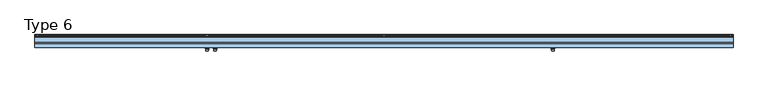
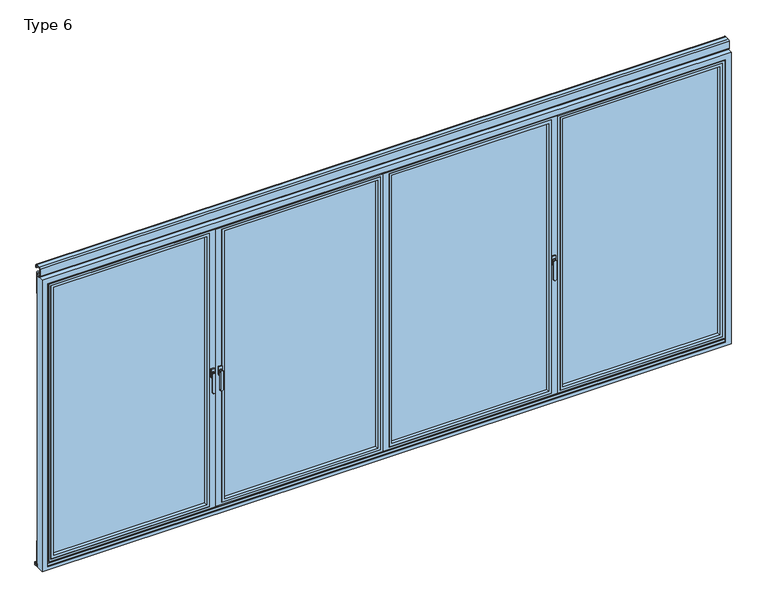
"""IFC4 building model written with IfcOpenShell, lengths in millimetres: window geometry, Type 6."""

from ifc_helpers import new_model, si_unit, point, frame, frame_2d, origin, place, context, project, spatial, polyline, circle_curve, trimmed, segment, composite_curve, outline, extrude, faceted_brep, source, transform, mapped, element, save
from ifc_brep_helpers import plane_surface, revolved_surface, advanced_brep


def type_6_73cdd621(model_context):
    return source(origin(), model_context, "Body", "SolidModel", [
        advanced_brep(
        [(-1147.25, -4.0, 896.6867153), (-1147.25, -4.0, 1028.0), (-1165.25, -4.0, 1028.0), (-1165.25, -4.0, 896.6867153), (-1146.25, 3.5, 896.6867153), (-1166.25, 3.5, 896.6867153), (-1166.25, 3.5, 1028.0), (-1146.25, 3.5, 1028.0), (-1145.25, 11.0, 1028.0), (-1167.25, 11.0, 1028.0)],
        [
            (0, 1),
            (1, 2, circle_curve(frame((-1156.25, -4.0, 1028.0), z_axis=(0.0, -1.0, 0.0), x_axis=(-1.0, 0.0, 0.0)), 9.0)),
            (2, 3),
            (3, 0, circle_curve(frame((-1156.25, -4.0, 896.6867153), z_axis=(0.0, -1.0, 0.0), x_axis=(1.0, 0.0, 0.0)), 9.0)),
            (4, 5, circle_curve(frame((-1156.25, 3.5, 896.6867153), z_axis=(0.0, 1.0, 0.0), x_axis=(1.0, 0.0, 0.0)), 10.0)),
            (5, 6),
            (6, 7, circle_curve(frame((-1156.25, 3.5, 1028.0), z_axis=(0.0, -1.0, 0.0), x_axis=(-1.0, 0.0, 0.0)), 10.0)),
            (7, 4),
            (3, 5),
            (4, 0),
            (2, 6),
            (1, 7),
            (7, 6, circle_curve(frame((-1156.25, 3.5, 1028.0), z_axis=(0.0, -1.0, 0.0), x_axis=(-1.0, 0.0, 0.0)), 10.0)),
            (8, 9, circle_curve(frame((-1156.25, 11.0, 1028.0), z_axis=(0.0, 1.0, 0.0), x_axis=(-1.0, 0.0, 0.0)), 11.0)),
            (9, 8, circle_curve(frame((-1156.25, 11.0, 1028.0), z_axis=(0.0, 1.0, 0.0), x_axis=(1.0, 0.0, 0.0)), 11.0)),
            (9, 6),
            (7, 8),
        ],
        [
            plane_surface(frame((-1156.25, -4.0, 962.3433576), z_axis=(0.0, -1.0, 0.0), x_axis=(0.0, 0.0, -1.0))),
            plane_surface(frame((-1156.25, 3.5, 962.3433576), z_axis=(0.0, 1.0, 0.0), x_axis=(0.0, 0.0, -1.0))),
            revolved_surface(polyline([(-1165.25, -4.0, 896.6867153), (-1166.25, 3.5, 896.6867153)]), (-1156.25, -71.5, 896.6867153), (0.0, 1.0, 0.0)),
            plane_surface(frame((-1166.25, 3.5, 962.3433576), z_axis=(-0.9912279006826277, -0.1321637200910704, 0.0), x_axis=(0.0, 0.0, 1.0))),
            revolved_surface(polyline([(-1147.25, -4.0, 1028.0), (-1146.25, 3.5, 1028.0)]), (-1156.25, -71.5, 1028.0), (0.0, 1.0, 0.0)),
            plane_surface(frame((-1146.25, 3.5, 962.3433576), z_axis=(0.9912279006826291, -0.1321637200910603, 0.0), x_axis=(0.0, 0.0, -1.0))),
            plane_surface(frame((-1156.25, 11.0, 1028.0), z_axis=(0.0, 1.0, 0.0), x_axis=(0.0, 0.0, 1.0))),
            revolved_surface(polyline([(-1166.25, 3.5, 1028.0), (-1167.25, 11.0, 1028.0)]), (-1156.25, -71.5, 1028.0), (0.0, 1.0, 0.0)),
            revolved_surface(polyline([(-1146.25, 3.5, 1028.0), (-1145.25, 11.0, 1028.0)]), (-1156.25, -71.5, 1028.0), (0.0, 1.0, 0.0)),
        ],
        [
            (0, [[1, 2, 3, 4]]),
            (1, [[5, 6, 7, 8]]),
            (2, [[9, -5, 10, -4]]),
            (3, [[11, -6, -9, -3]]),
            (4, [[12, 13, -11, -2]]),
            (5, [[-10, -8, -12, -1]]),
            (6, [[14, 15]]),
            (7, [[16, -13, 17, -15]]),
            (8, [[-17, -7, -16, -14]]),
        ],
    ),
        extrude(outline(polyline([(-1168.25, 11.0), (-1168.25, 20.0), (-1144.25, 20.0), (-1144.25, 11.0), (-1168.25, 11.0)])), frame((0.0, 0.0, 998.0), z_axis=(0.0, 0.0, 1.0), x_axis=(1.0, 0.0, 0.0)), (0.0, 0.0, 1.0), 60.0),
        faceted_brep([(-1158.75, 80.0, 10.0), (-1158.75, 80.0, 35.0), (-1158.75, 80.0, 2070.0), (-1158.75, 80.0, 2095.0), (-2.5, 80.0, 2095.0), (-2.5, 80.0, 2070.0), (-2.5, 80.0, 35.0), (-2.5, 80.0, 10.0), (-65.0, 80.0, 72.5), (-65.0, 80.0, 2032.5), (-1121.25, 80.0, 2032.5), (-1121.25, 80.0, 72.5), (-27.5, 20.0, 2070.0), (-32.5, 20.0, 2070.0), (-1183.75, 20.0, 2070.0), (-1183.75, 20.0, 35.0), (-32.5, 20.0, 35.0), (-27.5, 20.0, 35.0), (-1143.75, 20.0, 50.0), (-1143.75, 20.0, 2055.0), (-42.5, 20.0, 2055.0), (-42.5, 20.0, 50.0), (-42.5, 72.75, 2055.0), (-42.5, 72.75, 50.0), (-1143.75, 72.75, 50.0), (-1143.75, 72.75, 2055.0), (-1121.25, 72.75, 72.5), (-1121.25, 72.75, 2032.5), (-65.0, 72.75, 2032.5), (-65.0, 72.75, 72.5), (-2.5, 73.0, 10.0), (-1158.75, 73.0, 10.0), (-1183.75, 27.0, 35.0), (-1168.75, 27.0, 35.0), (-32.5, 27.0, 35.0), (-27.5, 27.0, 35.0), (-1158.75, 73.0, 25.0), (-1158.75, 73.0, 35.0), (-1158.75, 73.0, 2070.0), (-1158.75, 73.0, 2080.0), (-1158.75, 73.0, 2095.0), (-1168.75, 73.0, 2080.0), (-1168.75, 73.0, 25.0), (-17.5, 73.0, 25.0), (-17.5, 73.0, 35.0), (-17.5, 73.0, 2070.0), (-17.5, 73.0, 2080.0), (-17.5, 27.0, 2080.0), (-17.5, 27.0, 25.0), (-1168.75, 27.0, 25.0), (-1168.75, 27.0, 2070.0), (-1168.75, 27.0, 2080.0), (-32.5, 27.0, 2070.0), (-27.5, 27.0, 2070.0), (-2.5, 73.0, 35.0), (-2.5, 73.0, 2070.0), (-2.5, 73.0, 2095.0), (-1183.75, 27.0, 2070.0)], [[[0, 1, 2, 3, 4, 5, 6, 7], [8, 9, 10, 11]], [[12, 13, 14, 15, 16, 17], [18, 19, 20, 21]], [[21, 20, 22, 23]], [[23, 24, 18, 21]], [[24, 25, 19, 18]], [[23, 22, 25, 24], [26, 27, 28, 29]], [[29, 28, 9, 8]], [[8, 11, 26, 29]], [[11, 10, 27, 26]], [[25, 22, 20, 19]], [[10, 9, 28, 27]], [[30, 31, 0, 7]], [[17, 16, 15, 32, 33, 34, 35]], [[31, 36, 37, 38, 39, 40, 3, 2, 1, 0]], [[41, 39, 38, 37, 36, 42]], [[43, 44, 45, 46, 47, 48]], [[48, 49, 42, 36, 43]], [[49, 33, 50, 51, 41, 42]], [[51, 47, 46, 39, 41]], [[48, 47, 51, 50, 52, 53, 35, 34, 33, 49]], [[17, 35, 53, 12]], [[31, 30, 54, 55, 56, 40, 39, 46, 45, 44, 43, 36]], [[4, 3, 40, 56]], [[53, 52, 50, 57, 14, 13, 12]], [[56, 55, 54, 30, 7, 6, 5, 4]], [[15, 14, 57, 32]], [[57, 50, 33, 32]]]),
        extrude(outline(polyline([(-42.5, 72.75), (-42.5, 44.75), (-1143.75, 44.75), (-1143.75, 72.75), (-42.5, 72.75)])), frame((0.0, 0.0, 50.0), z_axis=(0.0, 0.0, 1.0), x_axis=(1.0, 0.0, 0.0)), (0.0, 0.0, 1.0), 2005.0),
        extrude(outline(polyline([(2055.0, -42.5), (2055.0, -1143.75), (50.0, -1143.75), (50.0, -42.5), (2055.0, -42.5)]), holes=[polyline([(2035.0009231, -1123.7509231), (2035.0009231, -62.4990769), (69.9990769, -62.4990769), (69.9990769, -1123.7509231), (2035.0009231, -1123.7509231)])]), frame((0.0, 20.5, 0.0), z_axis=(0.0, 1.0, 0.0), x_axis=(0.0, 0.0, 1.0)), (0.0, 0.0, 1.0), 24.25),
        extrude(outline(composite_curve([segment(trimmed(circle_curve(frame_2d((0.0, 93.5)), 10.0), [point((10.0, 93.5))], [point((-10.0, 93.5))], False, "CARTESIAN"), True, "CONTINUOUS"), segment(trimmed(circle_curve(frame_2d((0.0, 93.5)), 10.0), [point((-10.0, 93.5))], [point((10.0, 93.5))], False, "CARTESIAN"), True, "CONTINUOUS")], self_intersect=False)), frame((0.0, 0.0, -12.0640378), z_axis=(0.0, 0.0, 1.0), x_axis=(1.0, 0.0, 0.0)), (0.0, 0.0, 1.0), 166.5636122),
        extrude(outline(composite_curve([segment(trimmed(circle_curve(frame_2d((0.0, 93.5)), 10.0), [point((-10.0, 93.5))], [point((10.0, 93.5))], False, "CARTESIAN"), True, "CONTINUOUS"), segment(trimmed(circle_curve(frame_2d((0.0, 93.5)), 10.0), [point((10.0, 93.5))], [point((-10.0, 93.5))], False, "CARTESIAN"), True, "CONTINUOUS")], self_intersect=False)), frame((0.0, 0.0, 1972.5), z_axis=(0.0, 0.0, 1.0), x_axis=(1.0, 0.0, 0.0)), (0.0, 0.0, 1.0), 153.5),
        advanced_brep(
        [(1147.25, -4.0, 896.6867153), (1165.25, -4.0, 896.6867153), (1165.25, -4.0, 1028.0), (1147.25, -4.0, 1028.0), (1146.25, 3.5, 896.6867153), (1146.25, 3.5, 1028.0), (1166.25, 3.5, 1028.0), (1166.25, 3.5, 896.6867153), (1145.25, 11.0, 1028.0), (1167.25, 11.0, 1028.0)],
        [
            (0, 1, circle_curve(frame((1156.25, -4.0, 896.6867153), z_axis=(0.0, -1.0, 0.0), x_axis=(-1.0000000000000009, 0.0, 0.0)), 9.0)),
            (1, 2),
            (2, 3, circle_curve(frame((1156.25, -4.0, 1028.0), z_axis=(0.0, -1.0, 0.0), x_axis=(1.0000000000000009, 0.0, 0.0)), 9.0)),
            (3, 0),
            (4, 5),
            (5, 6, circle_curve(frame((1156.25, 3.5, 1028.0), z_axis=(0.0, -1.0, 0.0), x_axis=(1.0000000000000009, 0.0, 0.0)), 10.0)),
            (6, 7),
            (7, 4, circle_curve(frame((1156.25, 3.5, 896.6867153), z_axis=(0.0, 1.0, 0.0), x_axis=(-1.0000000000000009, 0.0, 0.0)), 10.0)),
            (0, 4),
            (7, 1),
            (6, 2),
            (6, 5, circle_curve(frame((1156.25, 3.5, 1028.0), z_axis=(0.0, -1.0, 0.0), x_axis=(1.0000000000000009, 0.0, 0.0)), 10.0)),
            (5, 3),
            (8, 9, circle_curve(frame((1156.25, 11.0, 1028.0), z_axis=(0.0, 1.0, 0.0), x_axis=(-1.0000000000000009, 0.0, 0.0)), 11.0)),
            (9, 8, circle_curve(frame((1156.25, 11.0, 1028.0), z_axis=(0.0, 1.0, 0.0), x_axis=(1.0000000000000009, 0.0, 0.0)), 11.0)),
            (8, 5),
            (6, 9),
        ],
        [
            plane_surface(frame((1156.25, -4.0, 962.3433576), z_axis=(0.0, -1.0, 0.0), x_axis=(0.0, 0.0, -1.0))),
            plane_surface(frame((1156.25, 3.5, 962.3433576), z_axis=(0.0, 1.0, 0.0), x_axis=(0.0, 0.0, -1.0))),
            revolved_surface(polyline([(1147.25, -4.0, 896.6867153), (1146.25, 3.5, 896.6867153)]), (1156.25, -71.5, 896.6867153), (0.0, 1.0000000000000009, 0.0)),
            plane_surface(frame((1166.25, 3.5, 962.3433576), z_axis=(0.9912279006826268, -0.1321637200910768, 0.0), x_axis=(0.0, 0.0, 1.0))),
            revolved_surface(polyline([(1165.25, -4.0, 1028.0), (1166.25, 3.5, 1028.0)]), (1156.25, -71.5, 1028.0), (0.0, 1.0000000000000009, 0.0)),
            plane_surface(frame((1146.25, 3.5, 962.3433576), z_axis=(-0.99122790068263, -0.13216372009105393, 0.0), x_axis=(0.0, 0.0, -1.0))),
            plane_surface(frame((1156.25, 11.0, 1028.0), z_axis=(0.0, 1.0, 0.0), x_axis=(0.0, 0.0, 1.0))),
            revolved_surface(polyline([(1166.25, 3.5, 1028.0), (1167.25, 11.0, 1028.0)]), (1156.25, -71.5, 1028.0), (0.0, 1.0000000000000009, 0.0)),
            revolved_surface(polyline([(1146.25, 3.5, 1028.0), (1145.25, 11.0, 1028.0)]), (1156.25, -71.5, 1028.0), (0.0, 1.0000000000000009, 0.0)),
        ],
        [
            (0, [[1, 2, 3, 4]]),
            (1, [[5, 6, 7, 8]]),
            (2, [[-1, 9, -8, 10]]),
            (3, [[-2, -10, -7, 11]]),
            (4, [[-3, -11, 12, 13]]),
            (5, [[-4, -13, -5, -9]]),
            (6, [[14, 15]]),
            (7, [[-14, 16, -12, 17]]),
            (8, [[-15, -17, -6, -16]]),
        ],
    ),
        extrude(outline(polyline([(1168.25, 11.0), (1144.25, 11.0), (1144.25, 20.0), (1168.25, 20.0), (1168.25, 11.0)])), frame((0.0, 0.0, 998.0), z_axis=(0.0, 0.0, 1.0), x_axis=(1.0, 0.0, 0.0)), (0.0, 0.0, 1.0), 60.0),
        faceted_brep([(1158.75, 80.0, 10.0), (2.5, 80.0, 10.0), (2.5, 80.0, 35.0), (2.5, 80.0, 2070.0), (2.5, 80.0, 2095.0), (1158.75, 80.0, 2095.0), (1158.75, 80.0, 2070.0), (1158.75, 80.0, 35.0), (40.0, 80.0, 72.5), (1121.25, 80.0, 72.5), (1121.25, 80.0, 2032.5), (40.0, 80.0, 2032.5), (1183.75, 20.0, 35.0), (1183.75, 20.0, 2070.0), (-22.5, 20.0, 2070.0), (-22.5, 20.0, 35.0), (1143.75, 20.0, 50.0), (17.5, 20.0, 50.0), (17.5, 20.0, 2055.0), (1143.75, 20.0, 2055.0), (17.5, 72.75, 50.0), (17.5, 72.75, 2055.0), (1143.75, 72.75, 50.0), (1143.75, 72.75, 2055.0), (1121.25, 72.75, 72.5), (40.0, 72.75, 72.5), (40.0, 72.75, 2032.5), (1121.25, 72.75, 2032.5), (2.5, 73.0, 10.0), (1158.75, 73.0, 10.0), (1183.75, 27.0, 35.0), (-22.5, 27.0, 35.0), (-7.5, 27.0, 35.0), (1168.75, 27.0, 35.0), (-7.5, 73.0, 25.0), (-7.5, 73.0, 2080.0), (2.5, 73.0, 2080.0), (2.5, 73.0, 2070.0), (2.5, 73.0, 35.0), (2.5, 73.0, 25.0), (1168.75, 73.0, 2080.0), (1168.75, 73.0, 25.0), (1158.75, 73.0, 25.0), (1158.75, 73.0, 35.0), (1158.75, 73.0, 2070.0), (1158.75, 73.0, 2080.0), (-7.5, 27.0, 25.0), (-7.5, 27.0, 2070.0), (-7.5, 27.0, 2080.0), (1168.75, 27.0, 25.0), (1168.75, 27.0, 2080.0), (1168.75, 27.0, 2070.0), (1183.75, 27.0, 2070.0), (-22.5, 27.0, 2070.0), (2.5, 73.0, 2095.0), (1158.75, 73.0, 2095.0)], [[[0, 1, 2, 3, 4, 5, 6, 7], [8, 9, 10, 11]], [[12, 13, 14, 15], [16, 17, 18, 19]], [[17, 20, 21, 18]], [[20, 17, 16, 22]], [[22, 16, 19, 23]], [[20, 22, 23, 21], [24, 25, 26, 27]], [[25, 8, 11, 26]], [[8, 25, 24, 9]], [[9, 24, 27, 10]], [[23, 19, 18, 21]], [[10, 27, 26, 11]], [[28, 1, 0, 29]], [[30, 12, 15, 31, 32, 33]], [[34, 35, 36, 37, 38, 39]], [[40, 41, 42, 43, 44, 45]], [[34, 46, 32, 47, 48, 35]], [[46, 34, 39, 42, 41, 49]], [[49, 41, 40, 50, 51, 33]], [[46, 49, 33, 32]], [[50, 48, 47, 51]], [[50, 40, 45, 36, 35, 48]], [[14, 13, 52, 51, 47, 53]], [[54, 4, 3, 2, 1, 28, 39, 38, 37, 36]], [[29, 0, 7, 6, 5, 55, 45, 44, 43, 42]], [[39, 28, 29, 42]], [[54, 36, 45, 55]], [[4, 54, 55, 5]], [[12, 30, 52, 13]], [[14, 53, 31, 15]], [[52, 30, 33, 51]], [[31, 53, 47, 32]]]),
        extrude(outline(polyline([(17.5, 72.75), (1143.75, 72.75), (1143.75, 44.75), (17.5, 44.75), (17.5, 72.75)])), frame((0.0, 0.0, 50.0), z_axis=(0.0, 0.0, 1.0), x_axis=(1.0, 0.0, 0.0)), (0.0, 0.0, 1.0), 2005.0),
        extrude(outline(polyline([(2055.0, 17.5), (50.0, 17.5), (50.0, 1143.75), (2055.0, 1143.75), (2055.0, 17.5)]), holes=[polyline([(2035.0009231, 1123.7509231), (69.9990769, 1123.7509231), (69.9990769, 37.4990769), (2035.0009231, 37.4990769), (2035.0009231, 1123.7509231)])]), frame((0.0, 20.5, 0.0), z_axis=(0.0, 1.0, 0.0), x_axis=(0.0, 0.0, 1.0)), (0.0, 0.0, 1.0), 24.25),
        extrude(outline(composite_curve([segment(trimmed(circle_curve(frame_2d((0.0, 93.5)), 10.0), [point((-10.0, 93.5))], [point((10.0, 93.5))], False, "CARTESIAN"), True, "CONTINUOUS"), segment(trimmed(circle_curve(frame_2d((0.0, 93.5)), 10.0), [point((10.0, 93.5))], [point((-10.0, 93.5))], False, "CARTESIAN"), True, "CONTINUOUS")], self_intersect=False)), frame((0.0, 0.0, -12.0640378), z_axis=(0.0, 0.0, 1.0), x_axis=(1.0, 0.0, 0.0)), (0.0, 0.0, 1.0), 166.5636122),
        extrude(outline(composite_curve([segment(trimmed(circle_curve(frame_2d((0.0, 93.5)), 10.0), [point((10.0, 93.5))], [point((-10.0, 93.5))], False, "CARTESIAN"), True, "CONTINUOUS"), segment(trimmed(circle_curve(frame_2d((0.0, 93.5)), 10.0), [point((-10.0, 93.5))], [point((10.0, 93.5))], False, "CARTESIAN"), True, "CONTINUOUS")], self_intersect=False)), frame((0.0, 0.0, 1972.5), z_axis=(0.0, 0.0, 1.0), x_axis=(1.0, 0.0, 0.0)), (0.0, 0.0, 1.0), 153.5),
        faceted_brep([(1163.75, 80.0, 10.0), (1163.75, 80.0, 35.0), (1163.75, 80.0, 2070.0), (1163.75, 80.0, 2095.0), (2370.0, 80.0, 2095.0), (2370.0, 80.0, 2070.0), (2370.0, 80.0, 35.0), (2370.0, 80.0, 10.0), (2307.5, 80.0, 72.5), (2307.5, 80.0, 2032.5), (1226.25, 80.0, 2032.5), (1226.25, 80.0, 72.5), (1188.75, 20.0, 35.0), (1193.75, 20.0, 35.0), (2340.0, 20.0, 35.0), (2345.0, 20.0, 35.0), (2345.0, 20.0, 2070.0), (2340.0, 20.0, 2070.0), (1193.75, 20.0, 2070.0), (1188.75, 20.0, 2070.0), (1203.75, 20.0, 50.0), (1203.75, 20.0, 2055.0), (2330.0, 20.0, 2055.0), (2330.0, 20.0, 50.0), (2330.0, 72.75, 2055.0), (2330.0, 72.75, 50.0), (1203.75, 72.75, 50.0), (1203.75, 72.75, 2055.0), (1226.25, 72.75, 72.5), (1226.25, 72.75, 2032.5), (2307.5, 72.75, 2032.5), (2307.5, 72.75, 72.5), (2370.0, 73.0, 10.0), (1163.75, 73.0, 10.0), (1188.75, 27.0, 35.0), (1193.75, 27.0, 35.0), (2340.0, 27.0, 35.0), (2345.0, 27.0, 35.0), (2355.0, 73.0, 25.0), (2355.0, 73.0, 35.0), (2355.0, 73.0, 2070.0), (2355.0, 73.0, 2080.0), (2355.0, 27.0, 2080.0), (2355.0, 27.0, 25.0), (1178.75, 27.0, 25.0), (1178.75, 73.0, 25.0), (1178.75, 27.0, 2080.0), (1178.75, 73.0, 2080.0), (1178.75, 73.0, 2070.0), (1178.75, 73.0, 35.0), (1188.75, 27.0, 2070.0), (1193.75, 27.0, 2070.0), (2340.0, 27.0, 2070.0), (2345.0, 27.0, 2070.0), (2370.0, 73.0, 35.0), (2370.0, 73.0, 2070.0), (2370.0, 73.0, 2095.0), (1163.75, 73.0, 2095.0), (1163.75, 73.0, 2070.0), (1163.75, 73.0, 35.0)], [[[0, 1, 2, 3, 4, 5, 6, 7], [8, 9, 10, 11]], [[12, 13, 14, 15, 16, 17, 18, 19], [20, 21, 22, 23]], [[23, 22, 24, 25]], [[25, 26, 20, 23]], [[26, 27, 21, 20]], [[25, 24, 27, 26], [28, 29, 30, 31]], [[31, 30, 9, 8]], [[8, 11, 28, 31]], [[11, 10, 29, 28]], [[27, 24, 22, 21]], [[10, 9, 30, 29]], [[32, 33, 0, 7]], [[15, 14, 13, 12, 34, 35, 36, 37]], [[38, 39, 40, 41, 42, 43]], [[43, 44, 45, 38]], [[44, 46, 47, 48, 49, 45]], [[46, 42, 41, 47]], [[43, 42, 46, 44], [37, 36, 35, 34, 50, 51, 52, 53]], [[19, 50, 34, 12]], [[15, 37, 53, 16]], [[32, 54, 55, 56, 57, 58, 59, 33], [45, 49, 48, 47, 41, 40, 39, 38]], [[4, 3, 57, 56]], [[19, 18, 17, 16, 53, 52, 51, 50]], [[56, 55, 54, 32, 7, 6, 5, 4]], [[33, 59, 58, 57, 3, 2, 1, 0]]]),
        extrude(outline(polyline([(2330.0, 72.75), (2330.0, 44.75), (1203.75, 44.75), (1203.75, 72.75), (2330.0, 72.75)])), frame((0.0, 0.0, 50.0), z_axis=(0.0, 0.0, 1.0), x_axis=(1.0, 0.0, 0.0)), (0.0, 0.0, 1.0), 2005.0),
        extrude(outline(polyline([(2055.0, 2330.0), (2055.0, 1203.75), (50.0, 1203.75), (50.0, 2330.0), (2055.0, 2330.0)]), holes=[polyline([(2035.0009231, 1223.7490769), (2035.0009231, 2310.0009231), (69.9990769, 2310.0009231), (69.9990769, 1223.7490769), (2035.0009231, 1223.7490769)])]), frame((0.0, 20.5, 0.0), z_axis=(0.0, 1.0, 0.0), x_axis=(0.0, 0.0, 1.0)), (0.0, 0.0, 1.0), 24.25),
        extrude(outline(composite_curve([segment(trimmed(circle_curve(frame_2d((2372.5, 93.5)), 10.0), [point((2382.5, 93.5))], [point((2362.5, 93.5))], False, "CARTESIAN"), True, "CONTINUOUS"), segment(trimmed(circle_curve(frame_2d((2372.5, 93.5)), 10.0), [point((2362.5, 93.5))], [point((2382.5, 93.5))], False, "CARTESIAN"), True, "CONTINUOUS")], self_intersect=False)), frame((0.0, 0.0, -12.0640378), z_axis=(0.0, 0.0, 1.0), x_axis=(1.0, 0.0, 0.0)), (0.0, 0.0, 1.0), 166.5636122),
        extrude(outline(composite_curve([segment(trimmed(circle_curve(frame_2d((2372.5, 93.5)), 10.0), [point((2362.5, 93.5))], [point((2382.5, 93.5))], False, "CARTESIAN"), True, "CONTINUOUS"), segment(trimmed(circle_curve(frame_2d((2372.5, 93.5)), 10.0), [point((2382.5, 93.5))], [point((2362.5, 93.5))], False, "CARTESIAN"), True, "CONTINUOUS")], self_intersect=False)), frame((0.0, 0.0, 1972.5), z_axis=(0.0, 0.0, 1.0), x_axis=(1.0, 0.0, 0.0)), (0.0, 0.0, 1.0), 153.5),
        advanced_brep(
        [(-1219.75, 104.0, 896.6867153), (-1219.75, 104.0, 1028.0), (-1201.75, 104.0, 1028.0), (-1201.75, 104.0, 896.6867153), (-1220.75, 96.5, 896.6867153), (-1200.75, 96.5, 896.6867153), (-1200.75, 96.5, 1028.0), (-1220.75, 96.5, 1028.0), (-1221.75, 89.0, 1028.0), (-1199.75, 89.0, 1028.0)],
        [
            (0, 1),
            (1, 2, circle_curve(frame((-1210.75, 104.0, 1028.0), z_axis=(0.0, 1.0, 0.0), x_axis=(1.0, 0.0, 0.0)), 9.0)),
            (2, 3),
            (3, 0, circle_curve(frame((-1210.75, 104.0, 896.6867153), z_axis=(0.0, 1.0, 0.0), x_axis=(-1.0, 0.0, 0.0)), 9.0)),
            (4, 5, circle_curve(frame((-1210.75, 96.5, 896.6867153), z_axis=(0.0, -1.0, 0.0), x_axis=(-1.0, 0.0, 0.0)), 10.0)),
            (5, 6),
            (6, 7, circle_curve(frame((-1210.75, 96.5, 1028.0), z_axis=(0.0, 1.0, 0.0), x_axis=(1.0, 0.0, 0.0)), 10.0)),
            (7, 4),
            (3, 5),
            (4, 0),
            (2, 6),
            (1, 7),
            (7, 6, circle_curve(frame((-1210.75, 96.5, 1028.0), z_axis=(0.0, 1.0, 0.0), x_axis=(1.0, 0.0, 0.0)), 10.0)),
            (8, 9, circle_curve(frame((-1210.75, 89.0, 1028.0), z_axis=(0.0, -1.0, 0.0), x_axis=(1.0, 0.0, 0.0)), 11.0)),
            (9, 8, circle_curve(frame((-1210.75, 89.0, 1028.0), z_axis=(0.0, -1.0, 0.0), x_axis=(-1.0, 0.0, 0.0)), 11.0)),
            (9, 6),
            (7, 8),
        ],
        [
            plane_surface(frame((-1210.75, 104.0, 962.3433576), z_axis=(0.0, 1.0, 0.0), x_axis=(0.0, 0.0, -1.0))),
            plane_surface(frame((-1210.75, 96.5, 962.3433576), z_axis=(0.0, -1.0, 0.0), x_axis=(0.0, 0.0, -1.0))),
            revolved_surface(polyline([(-1201.75, 104.0, 896.6867153), (-1200.75, 96.5, 896.6867153)]), (-1210.75, 171.5, 896.6867153), (0.0, -1.0, 0.0)),
            plane_surface(frame((-1200.75, 96.5, 962.3433576), z_axis=(0.9912279006826299, 0.13216372009105404, 0.0), x_axis=(0.0, 0.0, 1.0))),
            revolved_surface(polyline([(-1219.75, 104.0, 1028.0), (-1220.75, 96.5, 1028.0)]), (-1210.75, 171.5, 1028.0), (0.0, -1.0, 0.0)),
            plane_surface(frame((-1220.75, 96.5, 962.3433576), z_axis=(-0.9912279006826269, 0.1321637200910767, 0.0), x_axis=(0.0, 0.0, -1.0))),
            plane_surface(frame((-1210.75, 89.0, 1028.0), z_axis=(0.0, -1.0, 0.0), x_axis=(0.0, 0.0, 1.0))),
            revolved_surface(polyline([(-1200.75, 96.5, 1028.0), (-1199.75, 89.0, 1028.0)]), (-1210.75, 171.5, 1028.0), (0.0, -1.0, 0.0)),
            revolved_surface(polyline([(-1220.75, 96.5, 1028.0), (-1221.75, 89.0, 1028.0)]), (-1210.75, 171.5, 1028.0), (0.0, -1.0, 0.0)),
        ],
        [
            (0, [[1, 2, 3, 4]]),
            (1, [[5, 6, 7, 8]]),
            (2, [[9, -5, 10, -4]]),
            (3, [[11, -6, -9, -3]]),
            (4, [[12, 13, -11, -2]]),
            (5, [[-10, -8, -12, -1]]),
            (6, [[14, 15]]),
            (7, [[16, -13, 17, -15]]),
            (8, [[-17, -7, -16, -14]]),
        ],
    ),
        extrude(outline(polyline([(-1198.75, 89.0), (-1198.75, 80.0), (-1222.75, 80.0), (-1222.75, 89.0), (-1198.75, 89.0)])), frame((0.0, 0.0, 998.0), z_axis=(0.0, 0.0, 1.0), x_axis=(1.0, 0.0, 0.0)), (0.0, 0.0, 1.0), 60.0),
        advanced_brep(
        [(-1219.75, -4.0, 896.6867153), (-1201.75, -4.0, 896.6867153), (-1201.75, -4.0, 1028.0), (-1219.75, -4.0, 1028.0), (-1220.75, 3.5, 896.6867153), (-1220.75, 3.5, 1028.0), (-1200.75, 3.5, 1028.0), (-1200.75, 3.5, 896.6867153), (-1221.75, 11.0, 1028.0), (-1199.75, 11.0, 1028.0)],
        [
            (0, 1, circle_curve(frame((-1210.75, -4.0, 896.6867153), z_axis=(0.0, -1.0, 0.0), x_axis=(-1.0, 0.0, 0.0)), 9.0)),
            (1, 2),
            (2, 3, circle_curve(frame((-1210.75, -4.0, 1028.0), z_axis=(0.0, -1.0, 0.0), x_axis=(1.0, 0.0, 0.0)), 9.0)),
            (3, 0),
            (4, 5),
            (5, 6, circle_curve(frame((-1210.75, 3.5, 1028.0), z_axis=(0.0, -1.0, 0.0), x_axis=(1.0, 0.0, 0.0)), 10.0)),
            (6, 7),
            (7, 4, circle_curve(frame((-1210.75, 3.5, 896.6867153), z_axis=(0.0, 1.0, 0.0), x_axis=(-1.0, 0.0, 0.0)), 10.0)),
            (0, 4),
            (7, 1),
            (6, 2),
            (6, 5, circle_curve(frame((-1210.75, 3.5, 1028.0), z_axis=(0.0, -1.0, 0.0), x_axis=(1.0, 0.0, 0.0)), 10.0)),
            (5, 3),
            (8, 9, circle_curve(frame((-1210.75, 11.0, 1028.0), z_axis=(0.0, 1.0, 0.0), x_axis=(-1.0, 0.0, 0.0)), 11.0)),
            (9, 8, circle_curve(frame((-1210.75, 11.0, 1028.0), z_axis=(0.0, 1.0, 0.0), x_axis=(1.0, 0.0, 0.0)), 11.0)),
            (8, 5),
            (6, 9),
        ],
        [
            plane_surface(frame((-1210.75, -4.0, 962.3433576), z_axis=(0.0, -1.0, 0.0), x_axis=(0.0, 0.0, -1.0))),
            plane_surface(frame((-1210.75, 3.5, 962.3433576), z_axis=(0.0, 1.0, 0.0), x_axis=(0.0, 0.0, -1.0))),
            revolved_surface(polyline([(-1219.75, -4.0, 896.6867153), (-1220.75, 3.5, 896.6867153)]), (-1210.75, -71.5, 896.6867153), (0.0, 1.0, 0.0)),
            plane_surface(frame((-1200.75, 3.5, 962.3433576), z_axis=(0.9912279006826277, -0.1321637200910704, 0.0), x_axis=(0.0, 0.0, 1.0))),
            revolved_surface(polyline([(-1201.75, -4.0, 1028.0), (-1200.75, 3.5, 1028.0)]), (-1210.75, -71.5, 1028.0), (0.0, 1.0, 0.0)),
            plane_surface(frame((-1220.75, 3.5, 962.3433576), z_axis=(-0.9912279006826291, -0.1321637200910603, 0.0), x_axis=(0.0, 0.0, -1.0))),
            plane_surface(frame((-1210.75, 11.0, 1028.0), z_axis=(0.0, 1.0, 0.0), x_axis=(0.0, 0.0, 1.0))),
            revolved_surface(polyline([(-1200.75, 3.5, 1028.0), (-1199.75, 11.0, 1028.0)]), (-1210.75, -71.5, 1028.0), (0.0, 1.0, 0.0)),
            revolved_surface(polyline([(-1220.75, 3.5, 1028.0), (-1221.75, 11.0, 1028.0)]), (-1210.75, -71.5, 1028.0), (0.0, 1.0, 0.0)),
        ],
        [
            (0, [[1, 2, 3, 4]]),
            (1, [[5, 6, 7, 8]]),
            (2, [[-1, 9, -8, 10]]),
            (3, [[-2, -10, -7, 11]]),
            (4, [[-3, -11, 12, 13]]),
            (5, [[-4, -13, -5, -9]]),
            (6, [[14, 15]]),
            (7, [[-14, 16, -12, 17]]),
            (8, [[-15, -17, -6, -16]]),
        ],
    ),
        extrude(outline(polyline([(-1198.75, 11.0), (-1222.75, 11.0), (-1222.75, 20.0), (-1198.75, 20.0), (-1198.75, 11.0)])), frame((0.0, 0.0, 998.0), z_axis=(0.0, 0.0, 1.0), x_axis=(1.0, 0.0, 0.0)), (0.0, 0.0, 1.0), 60.0),
        extrude(outline(polyline([(-1178.7490769, 73.0), (-1178.7490769, 27.0), (-1203.75, 27.0), (-1203.75, 73.0), (-1178.7490769, 73.0)])), frame((0.0, 0.0, 25.0), z_axis=(0.0, 0.0, 1.0), x_axis=(1.0, 0.0, 0.0)), (0.0, 0.0, 1.0), 2055.0),
        faceted_brep([(-1163.75, 80.0, 10.0), (-2370.0, 80.0, 10.0), (-2370.0, 80.0, 35.0), (-2370.0, 80.0, 2070.0), (-2370.0, 80.0, 2095.0), (-1163.75, 80.0, 2095.0), (-1163.75, 80.0, 2070.0), (-1163.75, 80.0, 35.0), (-2307.5, 80.0, 72.5), (-1251.25, 80.0, 72.5), (-1251.25, 80.0, 2032.5), (-2307.5, 80.0, 2032.5), (-2345.0, 20.0, 2070.0), (-2345.0, 20.0, 35.0), (-2340.0, 20.0, 35.0), (-1188.75, 20.0, 35.0), (-1188.75, 20.0, 2070.0), (-2340.0, 20.0, 2070.0), (-1228.75, 20.0, 50.0), (-2330.0, 20.0, 50.0), (-2330.0, 20.0, 2055.0), (-1228.75, 20.0, 2055.0), (-2330.0, 72.75, 50.0), (-2330.0, 72.75, 2055.0), (-1228.75, 72.75, 50.0), (-1228.75, 72.75, 2055.0), (-1251.25, 72.75, 72.5), (-2307.5, 72.75, 72.5), (-2307.5, 72.75, 2032.5), (-1251.25, 72.75, 2032.5), (-2370.0, 73.0, 10.0), (-1163.75, 73.0, 10.0), (-2345.0, 27.0, 35.0), (-2340.0, 27.0, 35.0), (-1203.75, 27.0, 35.0), (-1188.75, 27.0, 35.0), (-2355.0, 73.0, 25.0), (-2355.0, 27.0, 25.0), (-2355.0, 27.0, 2080.0), (-2355.0, 73.0, 2080.0), (-2355.0, 73.0, 2070.0), (-2355.0, 73.0, 35.0), (-1203.75, 73.0, 25.0), (-1203.75, 27.0, 25.0), (-1203.75, 73.0, 35.0), (-1203.75, 73.0, 2070.0), (-1203.75, 73.0, 2080.0), (-1203.75, 27.0, 2080.0), (-1203.75, 27.0, 2070.0), (-2345.0, 27.0, 2070.0), (-2340.0, 27.0, 2070.0), (-1188.75, 27.0, 2070.0), (-1163.75, 73.0, 35.0), (-1163.75, 73.0, 2070.0), (-1163.75, 73.0, 2095.0), (-2370.0, 73.0, 2095.0), (-2370.0, 73.0, 2070.0), (-2370.0, 73.0, 35.0)], [[[0, 1, 2, 3, 4, 5, 6, 7], [8, 9, 10, 11]], [[12, 13, 14, 15, 16, 17], [18, 19, 20, 21]], [[19, 22, 23, 20]], [[22, 19, 18, 24]], [[24, 18, 21, 25]], [[22, 24, 25, 23], [26, 27, 28, 29]], [[27, 8, 11, 28]], [[8, 27, 26, 9]], [[9, 26, 29, 10]], [[25, 21, 20, 23]], [[10, 29, 28, 11]], [[30, 1, 0, 31]], [[13, 32, 33, 34, 35, 15, 14]], [[36, 37, 38, 39, 40, 41]], [[37, 36, 42, 43]], [[43, 42, 44, 45, 46, 47, 48, 34]], [[37, 43, 34, 33, 32, 49, 50, 48, 47, 38]], [[47, 46, 39, 38]], [[13, 12, 49, 32]], [[49, 12, 17, 16, 51, 48, 50]], [[30, 31, 52, 53, 54, 55, 56, 57], [42, 36, 41, 40, 39, 46, 45, 44]], [[4, 55, 54, 5]], [[55, 4, 3, 2, 1, 30, 57, 56]], [[31, 0, 7, 6, 5, 54, 53, 52]], [[15, 35, 51, 16]], [[51, 35, 34, 48]]]),
        extrude(outline(polyline([(-2330.0, 72.75), (-1228.75, 72.75), (-1228.75, 44.75), (-2330.0, 44.75), (-2330.0, 72.75)])), frame((0.0, 0.0, 50.0), z_axis=(0.0, 0.0, 1.0), x_axis=(1.0, 0.0, 0.0)), (0.0, 0.0, 1.0), 2005.0),
        extrude(outline(polyline([(2055.0, -2330.0), (50.0, -2330.0), (50.0, -1228.75), (2055.0, -1228.75), (2055.0, -2330.0)]), holes=[polyline([(2035.0009231, -1248.7490769), (69.9990769, -1248.7490769), (69.9990769, -2310.0009231), (2035.0009231, -2310.0009231), (2035.0009231, -1248.7490769)])]), frame((0.0, 20.5, 0.0), z_axis=(0.0, 1.0, 0.0), x_axis=(0.0, 0.0, 1.0)), (0.0, 0.0, 1.0), 24.25),
        extrude(outline(composite_curve([segment(trimmed(circle_curve(frame_2d((-2372.5, 93.5)), 10.0), [point((-2382.5, 93.5))], [point((-2362.5, 93.5))], False, "CARTESIAN"), True, "CONTINUOUS"), segment(trimmed(circle_curve(frame_2d((-2372.5, 93.5)), 10.0), [point((-2362.5, 93.5))], [point((-2382.5, 93.5))], False, "CARTESIAN"), True, "CONTINUOUS")], self_intersect=False)), frame((0.0, 0.0, -12.0640378), z_axis=(0.0, 0.0, 1.0), x_axis=(1.0, 0.0, 0.0)), (0.0, 0.0, 1.0), 166.5636122),
        extrude(outline(composite_curve([segment(trimmed(circle_curve(frame_2d((-2372.5, 93.5)), 10.0), [point((-2362.5, 93.5))], [point((-2382.5, 93.5))], False, "CARTESIAN"), True, "CONTINUOUS"), segment(trimmed(circle_curve(frame_2d((-2372.5, 93.5)), 10.0), [point((-2382.5, 93.5))], [point((-2362.5, 93.5))], False, "CARTESIAN"), True, "CONTINUOUS")], self_intersect=False)), frame((0.0, 0.0, 1972.5), z_axis=(0.0, 0.0, 1.0), x_axis=(1.0, 0.0, 0.0)), (0.0, 0.0, 1.0), 153.5),
        extrude(outline(composite_curve([segment(polyline([(95.0, 2165.0), (91.0, 2165.0), (91.0, 2182.0)]), True, "CONTINUOUS"), segment(trimmed(circle_curve(frame_2d((87.0, 2182.0)), 4.0), [point((91.0, 2182.0))], [point((87.0, 2186.0))], True, "CARTESIAN"), True, "CONTINUOUS"), segment(polyline([(87.0, 2186.0), (53.0, 2186.0)]), True, "CONTINUOUS"), segment(trimmed(circle_curve(frame_2d((53.0, 2182.0)), 4.0), [point((53.0, 2186.0))], [point((49.0, 2182.0))], True, "CARTESIAN"), True, "CONTINUOUS"), segment(polyline([(49.0, 2182.0), (49.0, 2128.0)]), True, "CONTINUOUS"), segment(trimmed(circle_curve(frame_2d((53.0, 2128.0)), 4.0), [point((49.0, 2128.0))], [point((53.0, 2124.0))], True, "CARTESIAN"), True, "CONTINUOUS"), segment(polyline([(53.0, 2124.0), (80.0, 2124.0), (80.0, 2115.0), (58.5, 2115.0), (58.5, 2120.0), (53.0, 2120.0)]), True, "CONTINUOUS"), segment(trimmed(circle_curve(frame_2d((53.0, 2128.0)), 8.0), [point((53.0, 2120.0))], [point((45.0, 2128.0))], False, "CARTESIAN"), True, "CONTINUOUS"), segment(polyline([(45.0, 2128.0), (45.0, 2182.0)]), True, "CONTINUOUS"), segment(trimmed(circle_curve(frame_2d((53.0, 2182.0)), 8.0), [point((45.0, 2182.0))], [point((53.0, 2190.0))], False, "CARTESIAN"), True, "CONTINUOUS"), segment(polyline([(53.0, 2190.0), (87.0, 2190.0)]), True, "CONTINUOUS"), segment(trimmed(circle_curve(frame_2d((87.0, 2182.0)), 8.0), [point((87.0, 2190.0))], [point((95.0, 2182.0))], False, "CARTESIAN"), True, "CONTINUOUS"), segment(polyline([(95.0, 2182.0), (95.0, 2165.0)]), True, "CONTINUOUS")], self_intersect=False)), frame((-2390.0, 0.0, 0.0), z_axis=(1.0, 0.0, 0.0), x_axis=(0.0, 1.0, 0.0)), (0.0, 0.0, 1.0), 4780.0),
        extrude(outline(polyline([(82.5218516, 1.0), (82.5218516, -19.0), (103.5218516, -19.0), (103.5218516, 1.0), (106.5218516, 1.0), (106.5218516, -22.0), (80.0, -22.0), (80.0, 1.0), (82.5218516, 1.0)])), frame((-2390.0, 0.0, 0.0), z_axis=(1.0, 0.0, 0.0), x_axis=(0.0, 1.0, 0.0)), (0.0, 0.0, 1.0), 4780.0),
        faceted_brep([(2390.0, 80.0, -22.0), (2390.0, 20.0, -22.0), (-2390.0, 20.0, -22.0), (-2390.0, 80.0, -22.0), (2390.0, 20.0, 2115.0), (2390.0, 80.0, 2115.0), (-2390.0, 20.0, 2115.0), (2350.0, 20.0, 2075.0), (2350.0, 20.0, 2.0), (-2350.0, 20.0, 2.0), (-2350.0, 20.0, 2075.0), (-2390.0, 80.0, 2115.0), (-2375.0, 80.0, 2100.0), (-2375.0, 80.0, 2.0), (2375.0, 80.0, 2.0), (2375.0, 80.0, 2100.0), (-2375.0, 73.0, 2100.0), (-2375.0, 73.0, 2.0), (2375.0, 73.0, 2.0), (2375.0, 73.0, 2100.0), (2350.0, 27.0, 2075.0), (2350.0, 27.0, 18.5), (2350.0, 23.5, 8.0), (2350.0, 23.5, 2.0), (-2350.0, 27.0, 2075.0), (-2350.0, 23.5, 2.0), (-2350.0, 23.5, 8.0), (-2350.0, 27.0, 18.5), (-2365.0, 27.0, 18.5), (-2365.0, 27.0, 2090.0), (2365.0, 27.0, 2090.0), (2365.0, 27.0, 18.5), (2365.0, 73.0, 2090.0), (2365.0, 73.0, 14.5), (2365.0, 37.849718, 14.5), (2365.0, 33.0276133, 18.5), (-2365.0, 73.0, 2090.0), (-2365.0, 33.0276133, 18.5), (-2365.0, 37.849718, 14.5), (-2365.0, 73.0, 14.5)], [[[0, 1, 2, 3]], [[4, 1, 0, 5]], [[2, 1, 4, 6], [7, 8, 9, 10]], [[2, 6, 11, 3]], [[0, 3, 11, 5], [12, 13, 14, 15]], [[12, 16, 17, 13]], [[18, 19, 15, 14]], [[7, 20, 21, 22, 23, 8]], [[24, 10, 9, 25, 26, 27]], [[20, 24, 27, 28, 29, 30, 31, 21]], [[30, 32, 33, 34, 35, 31]], [[36, 29, 28, 37, 38, 39]], [[16, 19, 18, 17], [32, 36, 39, 33]], [[12, 15, 19, 16]], [[5, 11, 6, 4]], [[7, 10, 24, 20]], [[30, 29, 36, 32]], [[14, 13, 17, 18]], [[9, 8, 23, 25]], [[21, 27, 26, 22]], [[25, 23, 22, 26]], [[27, 21, 31, 35, 37, 28]], [[33, 39, 38, 34]], [[37, 35, 34, 38]]]),
    ])


if __name__ == "__main__":
    model = new_model("IFC4")
    model_context = context("Model", 3, world=origin())
    ifc_project = project(units=[si_unit("LENGTHUNIT", "METRE", prefix="MILLI")], contexts=[model_context])
    site = spatial("IfcSite", under=ifc_project)
    building = spatial("IfcBuilding", under=site)
    placement = place(None, origin())
    type_6_shape = type_6_73cdd621(model_context)
    element("IfcWindow", 1, ObjectType="Type 6", at=placement, inside=building, context=model_context, shape_type="MappedRepresentation", body=[
        mapped(type_6_shape, transform((0.0, 0.0, 0.0), x_axis=(1.0, 0.0, 0.0), y_axis=(0.0, 1.0, 0.0), z_axis=(0.0, 0.0, 1.0))),
    ])
    save(model, "model.ifc")
